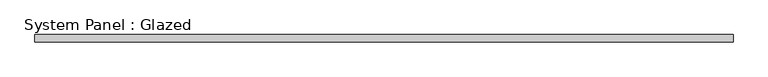
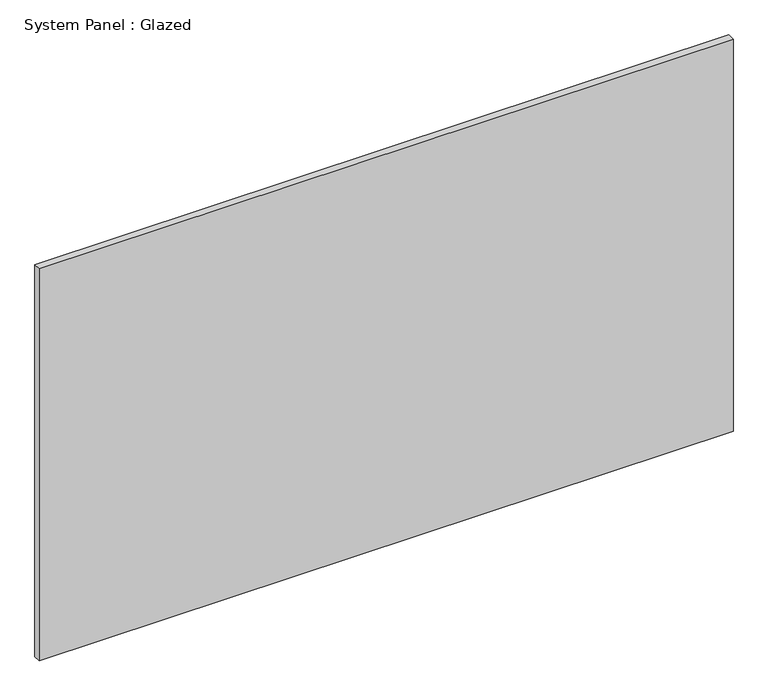
"""IFC4 building model written with IfcOpenShell, lengths in millimetres: plate geometry, System Panel : Glazed."""

import ifcopenshell
import ifcopenshell.guid

model = None  # the IFC model being written
_history = None  # IfcOwnerHistory: only IFC2X3 demands one
_inside = {}  # id of a spatial element -> (the spatial element, [elements in it])
_under = {}  # id of a project, library or spatial element -> (it, [spatial elements below it])
_declared = {}  # id of a project -> (the project, [libraries it declares])
_typed = {}  # id of a type object -> (the type object, [elements of that type])
_made_of = {}  # id of a material, layer set ... -> (it, [elements and type objects made of it])


def new_model(schema):
    """Start an empty IFC model of exactly this schema.

    Asked for "IFC4X3", IfcOpenShell would pick the latest addendum, in which some entities
    have other attributes; the version numbers below select the first issue.
    IFC2X3 requires an IfcOwnerHistory on every rooted entity: one is made here for all.
    """
    global model, _history
    if schema == "IFC4X3":
        model = ifcopenshell.file(schema_version=(4, 3, 0, 0))
    else:
        model = ifcopenshell.file(schema=schema)
    _inside.clear()
    _under.clear()
    _declared.clear()
    _typed.clear()
    _made_of.clear()
    _history = None
    if model.schema == "IFC2X3":
        org = make("IfcOrganization", Name="unknown")
        user = make(
            "IfcPersonAndOrganization",
            ThePerson=make("IfcPerson", FamilyName="unknown"),
            TheOrganization=org,
        )
        app = make(
            "IfcApplication",
            ApplicationDeveloper=org,
            Version="unknown",
            ApplicationFullName="unknown",
            ApplicationIdentifier="unknown",
        )
        _history = make(
            "IfcOwnerHistory",
            OwningUser=user,
            OwningApplication=app,
            ChangeAction="ADDED",
            CreationDate=0,
        )
    return model


def make(cls, **values):
    """One entity of the class cls with the attributes given. An attribute that is None is left unset."""
    return model.create_entity(
        cls, **{name: value for name, value in values.items() if value is not None}
    )


def rooted(cls, **values):
    """An entity with a GlobalId (a new one), such as an element, a storey or a relation."""
    return make(cls, GlobalId=ifcopenshell.guid.new(), OwnerHistory=_history, **values)


def si_unit(unit_type, name, prefix=None):
    """IfcSIUnit, for example si_unit("LENGTHUNIT", "METRE", prefix="MILLI")."""
    return make("IfcSIUnit", UnitType=unit_type, Prefix=prefix, Name=name)


def assignment(units):
    """IfcUnitAssignment: the units of a project."""
    return None if units is None else make("IfcUnitAssignment", Units=units)


def point(xyz):
    """IfcCartesianPoint."""
    return None if xyz is None else make("IfcCartesianPoint", Coordinates=xyz)


def direction(xyz):
    """IfcDirection."""
    return None if xyz is None else make("IfcDirection", DirectionRatios=xyz)


def frame(location, z_axis=None, x_axis=None):
    """IfcAxis2Placement3D, a coordinate frame: its origin and axes. An axis left out is left unset."""
    return make(
        "IfcAxis2Placement3D",
        Location=point(location),
        Axis=direction(z_axis),
        RefDirection=direction(x_axis),
    )


def origin():
    """The frame at (0, 0, 0) with its axes left unset."""
    return frame((0.0, 0.0, 0.0))


def origin_with_axes():
    """The frame at (0, 0, 0) with the z axis (0, 0, 1) and the x axis (1, 0, 0) written out."""
    return frame((0.0, 0.0, 0.0), z_axis=(0.0, 0.0, 1.0), x_axis=(1.0, 0.0, 0.0))


def place(relative_to, where):
    """IfcLocalPlacement: puts the frame where relative to a parent placement (None: the world)."""
    return make(
        "IfcLocalPlacement", PlacementRelTo=relative_to, RelativePlacement=where
    )


def context(
    kind, dimensions, precision=None, world=None, true_north=None, identifier=None
):
    """IfcGeometricRepresentationContext, for example the 3D "Model" context."""
    return make(
        "IfcGeometricRepresentationContext",
        ContextIdentifier=identifier,
        ContextType=kind,
        CoordinateSpaceDimension=dimensions,
        Precision=precision,
        WorldCoordinateSystem=world,
        TrueNorth=true_north,
    )


def project(units=None, contexts=None):
    """IfcProject with its units and contexts."""
    return rooted(
        "IfcProject",
        Name="project",
        RepresentationContexts=contexts,
        UnitsInContext=assignment(units),
    )


def spatial(cls, under=None, at=None, **own):
    """A site, building, storey or space (cls), placed at a placement, below another one or the project."""
    s = rooted(cls, ObjectPlacement=at, **own)
    if under is not None:
        _under.setdefault(under.id(), (under, []))[1].append(s)
    return s


def polyline(points):
    """IfcPolyline through the points."""
    return make("IfcPolyline", Points=[point(p) for p in points])


def outline(outer, holes=None, kind="AREA"):
    """IfcArbitraryClosedProfileDef: a profile drawn as a closed curve; with holes, ...WithVoids."""
    if holes is None:
        return make("IfcArbitraryClosedProfileDef", ProfileType=kind, OuterCurve=outer)
    return make(
        "IfcArbitraryProfileDefWithVoids",
        ProfileType=kind,
        OuterCurve=outer,
        InnerCurves=holes,
    )


def extrude(swept, where, along, depth):
    """IfcExtrudedAreaSolid: the profile swept, set in the frame where, extruded along a direction by depth."""
    return make(
        "IfcExtrudedAreaSolid",
        SweptArea=swept,
        Position=where,
        ExtrudedDirection=direction(along),
        Depth=depth,
    )


def shape(context_of_items, identifier, shape_type, items):
    """IfcShapeRepresentation: the items that make up one representation, for example the "Body"."""
    return make(
        "IfcShapeRepresentation",
        ContextOfItems=context_of_items,
        RepresentationIdentifier=identifier,
        RepresentationType=shape_type,
        Items=items,
    )


def source(mapping_origin, context_of_items, identifier, shape_type, items):
    """IfcRepresentationMap: a shape defined once, which mapped items show again and again."""
    return make(
        "IfcRepresentationMap",
        MappingOrigin=mapping_origin,
        MappedRepresentation=shape(context_of_items, identifier, shape_type, items),
    )


def transform(
    local_origin,
    x_axis=None,
    y_axis=None,
    z_axis=None,
    scale=None,
    scale2=None,
    scale3=None,
    uniform=True,
):
    """IfcCartesianTransformationOperator3D, or its non-uniform kind. x_axis, y_axis, z_axis: its Axis1, 2, 3."""
    if uniform:
        return make(
            "IfcCartesianTransformationOperator3D",
            Axis1=direction(x_axis),
            Axis2=direction(y_axis),
            LocalOrigin=point(local_origin),
            Scale=scale,
            Axis3=direction(z_axis),
        )
    return make(
        "IfcCartesianTransformationOperator3DnonUniform",
        Axis1=direction(x_axis),
        Axis2=direction(y_axis),
        LocalOrigin=point(local_origin),
        Scale=scale,
        Axis3=direction(z_axis),
        Scale2=scale2,
        Scale3=scale3,
    )


def mapped(mapping_source, mapping_target):
    """IfcMappedItem: shows the shape of a source again, moved by a transform."""
    return make(
        "IfcMappedItem", MappingSource=mapping_source, MappingTarget=mapping_target
    )


def made_of(thing, what):
    """Note that an element or type object is made of a material, layer set ...; save() writes the relation."""
    if what is not None:
        _made_of.setdefault(what.id(), (what, []))[1].append(thing)
    return thing


def element(
    cls,
    number,
    at=None,
    inside=None,
    cuts=None,
    type_object=None,
    material=None,
    context=None,
    identifier="Body",
    shape_type=None,
    held_by="IfcProductDefinitionShape",
    body=None,
    shapes=None,
    **own,
):
    """One element of the class cls, such as IfcWall. Its Tag is "e" and its number.

    at: its placement. inside: the storey or other place that contains it. cuts: it is an
    opening in that element (IfcRelVoidsElement). A single representation is given by context,
    identifier, shape_type and body (its items); several are given by shapes. held_by: the class
    of the entity that holds the representations. save() writes the other relations.
    """
    e = rooted(cls, Tag="e%d" % number, ObjectPlacement=at, **own)
    if body is not None:
        shapes = [shape(context, identifier, shape_type, body)]
    if shapes is not None:
        e.Representation = make(held_by, Representations=shapes)
    if inside is not None:
        _inside.setdefault(inside.id(), (inside, []))[1].append(e)
    if cuts is not None:
        rooted(
            "IfcRelVoidsElement", RelatingBuildingElement=cuts, RelatedOpeningElement=e
        )
    if type_object is not None:
        _typed.setdefault(type_object.id(), (type_object, []))[1].append(e)
    return made_of(e, material)


def aggregate(whole, parts):
    """IfcRelAggregates: a whole, such as a stair, and the parts it consists of."""
    return rooted("IfcRelAggregates", RelatingObject=whole, RelatedObjects=parts)


def save(model, path):
    """Write the relations noted so far, then the file.

    IfcRelAggregates (storeys below a building ...), IfcRelContainedInSpatialStructure (elements
    in a storey), IfcRelDefinesByType, IfcRelAssociatesMaterial and IfcRelDeclares: one each for
    every whole, place, type object, material and project.
    """
    for whole, parts in _under.values():
        aggregate(whole, parts)
    for where, things in _inside.values():
        rooted(
            "IfcRelContainedInSpatialStructure",
            RelatedElements=things,
            RelatingStructure=where,
        )
    for kind, things in _typed.values():
        rooted("IfcRelDefinesByType", RelatedObjects=things, RelatingType=kind)
    for what, things in _made_of.values():
        rooted("IfcRelAssociatesMaterial", RelatedObjects=things, RelatingMaterial=what)
    for by, libraries in _declared.values():
        rooted("IfcRelDeclares", RelatingContext=by, RelatedDefinitions=libraries)
    model.write(path)


def system_panel_glazed_f2f232af(model_context):
    return source(origin(), model_context, "Body", "SweptSolid", [
        extrude(outline(polyline([(1222.7327642, 19.05), (-1222.7327642, 19.05), (-1222.7327642, 44.45), (1222.7327642, 44.45), (1222.7327642, 19.05)])), origin_with_axes(), (0.0, 0.0, 1.0), 1460.5),
    ])


if __name__ == "__main__":
    model = new_model("IFC4")
    model_context = context("Model", 3, world=origin())
    ifc_project = project(units=[si_unit("LENGTHUNIT", "METRE", prefix="MILLI")], contexts=[model_context])
    site = spatial("IfcSite", under=ifc_project)
    building = spatial("IfcBuilding", under=site)
    placement = place(None, origin())
    system_panel_glazed_shape = system_panel_glazed_f2f232af(model_context)
    element("IfcPlate", 1, ObjectType="System Panel : Glazed", at=placement, inside=building, context=model_context, shape_type="MappedRepresentation", body=[
        mapped(system_panel_glazed_shape, transform((0.0, 0.0, 0.0), x_axis=(1.0, 0.0, 0.0), y_axis=(0.0, 1.0, 0.0), z_axis=(0.0, 0.0, 1.0))),
    ])
    save(model, "model.ifc")
